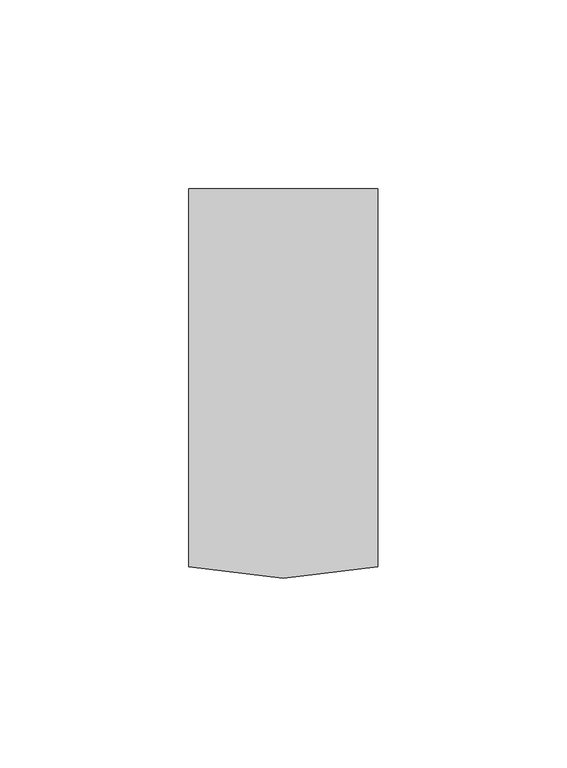
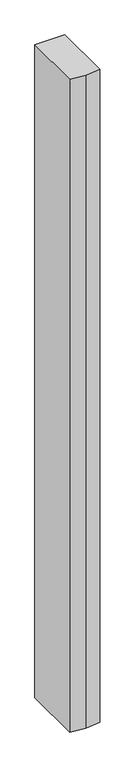
"""IFC4 building model written with IfcOpenShell, lengths in millimetres: member geometry."""

from ifc_helpers import new_model, si_unit, frame, origin, place, context, project, spatial, polyline, outline, extrude, source, transform, mapped, element, save


def member_73ea8726(model_context):
    return source(origin(), model_context, "Body", "SweptSolid", [
        extrude(outline(polyline([(0.0, -3.0), (-25.0, -6.0), (-50.0, -3.0), (-50.0, 97.0), (0.0, 97.0), (0.0, -3.0)])), frame((0.0, 0.0, -1150.0000003), z_axis=(0.0, 0.0, 1.0), x_axis=(1.0, 0.0, 0.0)), (0.0, 0.0, 1.0), 1150.0000003),
    ])


if __name__ == "__main__":
    model = new_model("IFC4")
    model_context = context("Model", 3, world=origin())
    ifc_project = project(units=[si_unit("LENGTHUNIT", "METRE", prefix="MILLI")], contexts=[model_context])
    site = spatial("IfcSite", under=ifc_project)
    building = spatial("IfcBuilding", under=site)
    placement = place(None, origin())
    member_shape = member_73ea8726(model_context)
    element("IfcMember", 1, at=placement, inside=building, context=model_context, shape_type="MappedRepresentation", body=[
        mapped(member_shape, transform((0.0, 0.0, 0.0), x_axis=(1.0, 0.0, 0.0), y_axis=(0.0, 1.0, 0.0), z_axis=(0.0, 0.0, 1.0))),
    ])
    save(model, "model.ifc")
